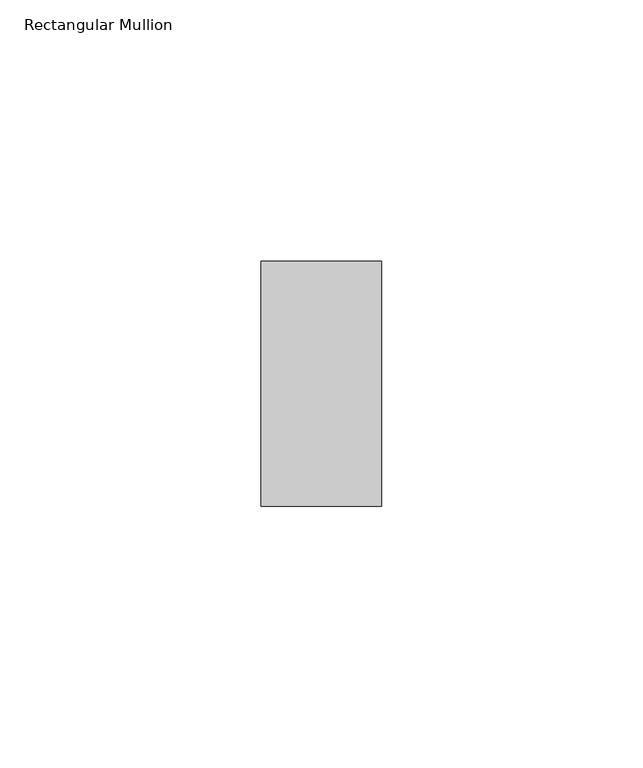
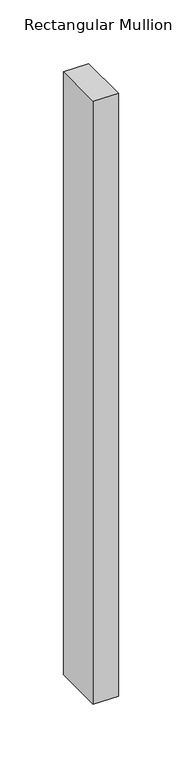
"""IFC4 building model written with IfcOpenShell, lengths in millimetres: member geometry, Rectangular Mullion."""

from ifc_helpers import new_model, si_unit, frame, origin, place, context, project, spatial, polyline, outline, extrude, source, transform, mapped, element, save


def rectangular_mullion_ab195c78(model_context):
    return source(origin(), model_context, "Body", "SweptSolid", [
        extrude(outline(polyline([(0.0, -23.4), (-23.0, -23.4), (-23.0, 23.4), (0.0, 23.4), (0.0, -23.4)])), frame((0.0, 0.0, -579.6), z_axis=(0.0, 0.0, 1.0), x_axis=(1.0, 0.0, 0.0)), (0.0, 0.0, 1.0), 579.6),
    ])


if __name__ == "__main__":
    model = new_model("IFC4")
    model_context = context("Model", 3, world=origin())
    ifc_project = project(units=[si_unit("LENGTHUNIT", "METRE", prefix="MILLI")], contexts=[model_context])
    site = spatial("IfcSite", under=ifc_project)
    building = spatial("IfcBuilding", under=site)
    placement = place(None, origin())
    rectangular_mullion_shape = rectangular_mullion_ab195c78(model_context)
    element("IfcMember", 1, ObjectType="Rectangular Mullion", at=placement, inside=building, context=model_context, shape_type="MappedRepresentation", body=[
        mapped(rectangular_mullion_shape, transform((0.0, 0.0, 0.0), x_axis=(1.0, 0.0, 0.0), y_axis=(0.0, 1.0, 0.0), z_axis=(0.0, 0.0, 1.0))),
    ])
    save(model, "model.ifc")
